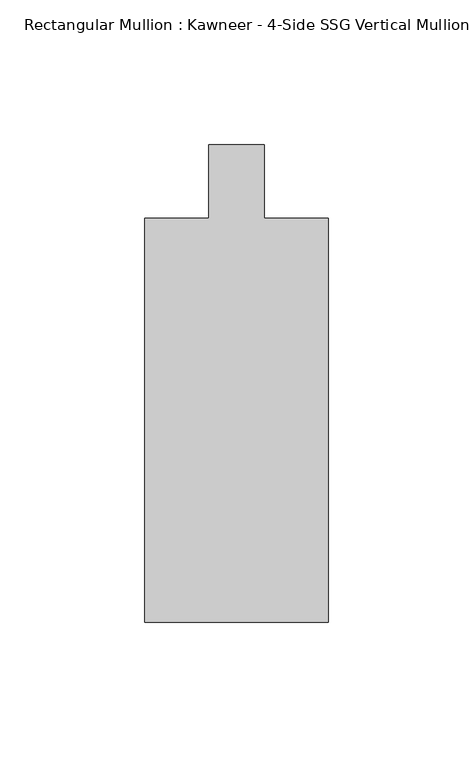
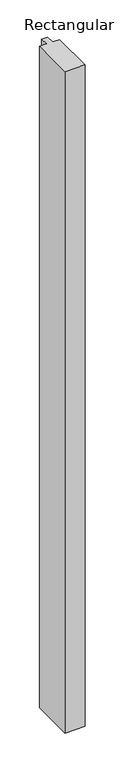
"""IFC4 building model written with IfcOpenShell, lengths in millimetres: member geometry."""

from ifc_helpers import new_model, si_unit, frame, origin, place, context, project, spatial, polyline, outline, extrude, source, transform, mapped, element, save


def member_e2607913(model_context):
    return source(origin(), model_context, "Body", "SweptSolid", [
        extrude(outline(polyline([(-31.75, -152.399995), (-31.75, -12.7), (-9.5251132, -12.7), (-9.5251132, 12.7), (9.5251132, 12.7), (9.5251132, -12.7), (31.75, -12.7), (31.75, -152.399995), (-31.75, -152.399995)])), frame((0.0, 0.0, -2209.3326946), z_axis=(0.0, 0.0, 1.0), x_axis=(1.0, 0.0, 0.0)), (0.0, 0.0, 1.0), 2209.3326946),
    ])


if __name__ == "__main__":
    model = new_model("IFC4")
    model_context = context("Model", 3, world=origin())
    ifc_project = project(units=[si_unit("LENGTHUNIT", "METRE", prefix="MILLI")], contexts=[model_context])
    site = spatial("IfcSite", under=ifc_project)
    building = spatial("IfcBuilding", under=site)
    placement = place(None, origin())
    member_shape = member_e2607913(model_context)
    element("IfcMember", 1, ObjectType="Rectangular Mullion : Kawneer - 4-Side SSG Vertical Mullion - 6 1/2\"", at=placement, inside=building, context=model_context, shape_type="MappedRepresentation", body=[
        mapped(member_shape, transform((0.0, 0.0, 0.0), x_axis=(1.0, 0.0, 0.0), y_axis=(0.0, 1.0, 0.0), z_axis=(0.0, 0.0, 1.0))),
    ])
    save(model, "model.ifc")
